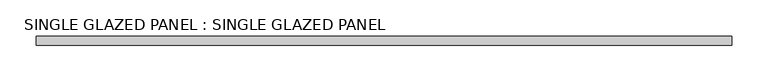
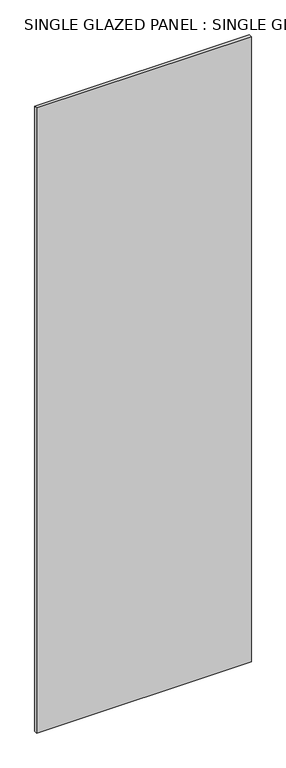
"""IFC4 building model written with IfcOpenShell, lengths in millimetres: plate geometry, SINGLE GLAZED PANEL : SINGLE GLAZED PANEL."""

from ifc_helpers import new_model, si_unit, origin, origin_with_axes, place, context, project, spatial, polyline, outline, extrude, source, transform, mapped, element, save


def single_glazed_panel_single_glazed_panel_4a34a5c6(model_context):
    return source(origin(), model_context, "Body", "SweptSolid", [
        extrude(outline(polyline([(482.6, 6.35), (482.6, -6.35), (-482.6, -6.35), (-482.6, 6.35), (482.6, 6.35)])), origin_with_axes(), (0.0, 0.0, 1.0), 2968.625),
    ])


if __name__ == "__main__":
    model = new_model("IFC4")
    model_context = context("Model", 3, world=origin())
    ifc_project = project(units=[si_unit("LENGTHUNIT", "METRE", prefix="MILLI")], contexts=[model_context])
    site = spatial("IfcSite", under=ifc_project)
    building = spatial("IfcBuilding", under=site)
    placement = place(None, origin())
    single_glazed_panel_single_glazed_panel_shape = single_glazed_panel_single_glazed_panel_4a34a5c6(model_context)
    element("IfcPlate", 1, ObjectType="SINGLE GLAZED PANEL : SINGLE GLAZED PANEL", at=placement, inside=building, context=model_context, shape_type="MappedRepresentation", body=[
        mapped(single_glazed_panel_single_glazed_panel_shape, transform((0.0, 0.0, 0.0), x_axis=(1.0, 0.0, 0.0), y_axis=(0.0, 1.0, 0.0), z_axis=(0.0, 0.0, 1.0))),
    ])
    save(model, "model.ifc")
